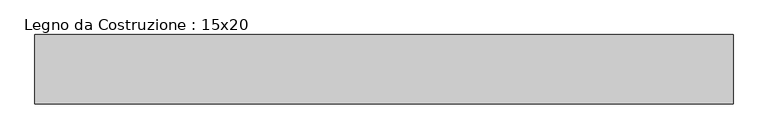
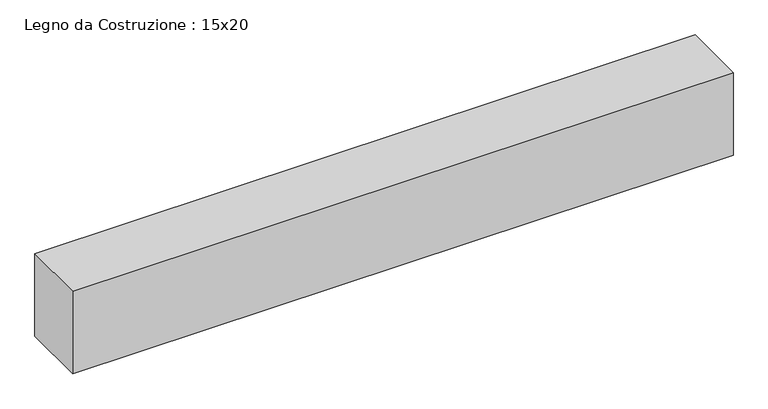
"""IFC4 building model written with IfcOpenShell, lengths in millimetres: beam geometry, Legno da Costruzione : 15x20."""

from ifc_helpers import new_model, si_unit, frame, origin, place, context, project, spatial, polyline, outline, extrude, source, transform, mapped, element, save


def legno_da_costruzione_15x20_c0c6191c(model_context):
    return source(origin(), model_context, "Body", "SweptSolid", [
        extrude(outline(polyline([(849.0, 75.0), (849.0, -75.0), (-660.0, -75.0), (-660.0, 75.0), (849.0, 75.0)])), frame((0.0, 0.0, -100.0), z_axis=(0.0, 0.0, 1.0), x_axis=(1.0, 0.0, 0.0)), (0.0, 0.0, 1.0), 200.0),
    ])


if __name__ == "__main__":
    model = new_model("IFC4")
    model_context = context("Model", 3, world=origin())
    ifc_project = project(units=[si_unit("LENGTHUNIT", "METRE", prefix="MILLI")], contexts=[model_context])
    site = spatial("IfcSite", under=ifc_project)
    building = spatial("IfcBuilding", under=site)
    placement = place(None, origin())
    legno_da_costruzione_15x20_shape = legno_da_costruzione_15x20_c0c6191c(model_context)
    element("IfcBeam", 1, ObjectType="Legno da Costruzione : 15x20", at=placement, inside=building, context=model_context, shape_type="MappedRepresentation", body=[
        mapped(legno_da_costruzione_15x20_shape, transform((0.0, 0.0, 0.0), x_axis=(1.0, 0.0, 0.0), y_axis=(0.0, 1.0, 0.0), z_axis=(0.0, 0.0, 1.0))),
    ])
    save(model, "model.ifc")
